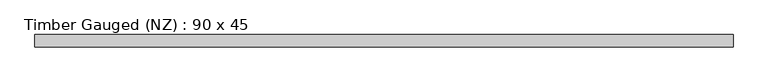
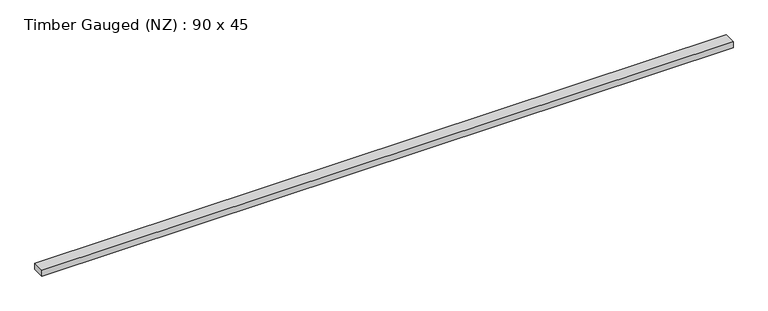
"""IFC4 building model written with IfcOpenShell, lengths in millimetres: beam geometry, Timber Gauged (NZ) : 90 x 45."""

import ifcopenshell
import ifcopenshell.guid

model = None  # the IFC model being written
_history = None  # IfcOwnerHistory: only IFC2X3 demands one
_inside = {}  # id of a spatial element -> (the spatial element, [elements in it])
_under = {}  # id of a project, library or spatial element -> (it, [spatial elements below it])
_declared = {}  # id of a project -> (the project, [libraries it declares])
_typed = {}  # id of a type object -> (the type object, [elements of that type])
_made_of = {}  # id of a material, layer set ... -> (it, [elements and type objects made of it])


def new_model(schema):
    """Start an empty IFC model of exactly this schema.

    Asked for "IFC4X3", IfcOpenShell would pick the latest addendum, in which some entities
    have other attributes; the version numbers below select the first issue.
    IFC2X3 requires an IfcOwnerHistory on every rooted entity: one is made here for all.
    """
    global model, _history
    if schema == "IFC4X3":
        model = ifcopenshell.file(schema_version=(4, 3, 0, 0))
    else:
        model = ifcopenshell.file(schema=schema)
    _inside.clear()
    _under.clear()
    _declared.clear()
    _typed.clear()
    _made_of.clear()
    _history = None
    if model.schema == "IFC2X3":
        org = make("IfcOrganization", Name="unknown")
        user = make(
            "IfcPersonAndOrganization",
            ThePerson=make("IfcPerson", FamilyName="unknown"),
            TheOrganization=org,
        )
        app = make(
            "IfcApplication",
            ApplicationDeveloper=org,
            Version="unknown",
            ApplicationFullName="unknown",
            ApplicationIdentifier="unknown",
        )
        _history = make(
            "IfcOwnerHistory",
            OwningUser=user,
            OwningApplication=app,
            ChangeAction="ADDED",
            CreationDate=0,
        )
    return model


def make(cls, **values):
    """One entity of the class cls with the attributes given. An attribute that is None is left unset."""
    return model.create_entity(
        cls, **{name: value for name, value in values.items() if value is not None}
    )


def rooted(cls, **values):
    """An entity with a GlobalId (a new one), such as an element, a storey or a relation."""
    return make(cls, GlobalId=ifcopenshell.guid.new(), OwnerHistory=_history, **values)


def si_unit(unit_type, name, prefix=None):
    """IfcSIUnit, for example si_unit("LENGTHUNIT", "METRE", prefix="MILLI")."""
    return make("IfcSIUnit", UnitType=unit_type, Prefix=prefix, Name=name)


def assignment(units):
    """IfcUnitAssignment: the units of a project."""
    return None if units is None else make("IfcUnitAssignment", Units=units)


def point(xyz):
    """IfcCartesianPoint."""
    return None if xyz is None else make("IfcCartesianPoint", Coordinates=xyz)


def direction(xyz):
    """IfcDirection."""
    return None if xyz is None else make("IfcDirection", DirectionRatios=xyz)


def frame(location, z_axis=None, x_axis=None):
    """IfcAxis2Placement3D, a coordinate frame: its origin and axes. An axis left out is left unset."""
    return make(
        "IfcAxis2Placement3D",
        Location=point(location),
        Axis=direction(z_axis),
        RefDirection=direction(x_axis),
    )


def origin():
    """The frame at (0, 0, 0) with its axes left unset."""
    return frame((0.0, 0.0, 0.0))


def place(relative_to, where):
    """IfcLocalPlacement: puts the frame where relative to a parent placement (None: the world)."""
    return make(
        "IfcLocalPlacement", PlacementRelTo=relative_to, RelativePlacement=where
    )


def context(
    kind, dimensions, precision=None, world=None, true_north=None, identifier=None
):
    """IfcGeometricRepresentationContext, for example the 3D "Model" context."""
    return make(
        "IfcGeometricRepresentationContext",
        ContextIdentifier=identifier,
        ContextType=kind,
        CoordinateSpaceDimension=dimensions,
        Precision=precision,
        WorldCoordinateSystem=world,
        TrueNorth=true_north,
    )


def project(units=None, contexts=None):
    """IfcProject with its units and contexts."""
    return rooted(
        "IfcProject",
        Name="project",
        RepresentationContexts=contexts,
        UnitsInContext=assignment(units),
    )


def spatial(cls, under=None, at=None, **own):
    """A site, building, storey or space (cls), placed at a placement, below another one or the project."""
    s = rooted(cls, ObjectPlacement=at, **own)
    if under is not None:
        _under.setdefault(under.id(), (under, []))[1].append(s)
    return s


def polyline(points):
    """IfcPolyline through the points."""
    return make("IfcPolyline", Points=[point(p) for p in points])


def outline(outer, holes=None, kind="AREA"):
    """IfcArbitraryClosedProfileDef: a profile drawn as a closed curve; with holes, ...WithVoids."""
    if holes is None:
        return make("IfcArbitraryClosedProfileDef", ProfileType=kind, OuterCurve=outer)
    return make(
        "IfcArbitraryProfileDefWithVoids",
        ProfileType=kind,
        OuterCurve=outer,
        InnerCurves=holes,
    )


def extrude(swept, where, along, depth):
    """IfcExtrudedAreaSolid: the profile swept, set in the frame where, extruded along a direction by depth."""
    return make(
        "IfcExtrudedAreaSolid",
        SweptArea=swept,
        Position=where,
        ExtrudedDirection=direction(along),
        Depth=depth,
    )


def shape(context_of_items, identifier, shape_type, items):
    """IfcShapeRepresentation: the items that make up one representation, for example the "Body"."""
    return make(
        "IfcShapeRepresentation",
        ContextOfItems=context_of_items,
        RepresentationIdentifier=identifier,
        RepresentationType=shape_type,
        Items=items,
    )


def source(mapping_origin, context_of_items, identifier, shape_type, items):
    """IfcRepresentationMap: a shape defined once, which mapped items show again and again."""
    return make(
        "IfcRepresentationMap",
        MappingOrigin=mapping_origin,
        MappedRepresentation=shape(context_of_items, identifier, shape_type, items),
    )


def transform(
    local_origin,
    x_axis=None,
    y_axis=None,
    z_axis=None,
    scale=None,
    scale2=None,
    scale3=None,
    uniform=True,
):
    """IfcCartesianTransformationOperator3D, or its non-uniform kind. x_axis, y_axis, z_axis: its Axis1, 2, 3."""
    if uniform:
        return make(
            "IfcCartesianTransformationOperator3D",
            Axis1=direction(x_axis),
            Axis2=direction(y_axis),
            LocalOrigin=point(local_origin),
            Scale=scale,
            Axis3=direction(z_axis),
        )
    return make(
        "IfcCartesianTransformationOperator3DnonUniform",
        Axis1=direction(x_axis),
        Axis2=direction(y_axis),
        LocalOrigin=point(local_origin),
        Scale=scale,
        Axis3=direction(z_axis),
        Scale2=scale2,
        Scale3=scale3,
    )


def mapped(mapping_source, mapping_target):
    """IfcMappedItem: shows the shape of a source again, moved by a transform."""
    return make(
        "IfcMappedItem", MappingSource=mapping_source, MappingTarget=mapping_target
    )


def made_of(thing, what):
    """Note that an element or type object is made of a material, layer set ...; save() writes the relation."""
    if what is not None:
        _made_of.setdefault(what.id(), (what, []))[1].append(thing)
    return thing


def element(
    cls,
    number,
    at=None,
    inside=None,
    cuts=None,
    type_object=None,
    material=None,
    context=None,
    identifier="Body",
    shape_type=None,
    held_by="IfcProductDefinitionShape",
    body=None,
    shapes=None,
    **own,
):
    """One element of the class cls, such as IfcWall. Its Tag is "e" and its number.

    at: its placement. inside: the storey or other place that contains it. cuts: it is an
    opening in that element (IfcRelVoidsElement). A single representation is given by context,
    identifier, shape_type and body (its items); several are given by shapes. held_by: the class
    of the entity that holds the representations. save() writes the other relations.
    """
    e = rooted(cls, Tag="e%d" % number, ObjectPlacement=at, **own)
    if body is not None:
        shapes = [shape(context, identifier, shape_type, body)]
    if shapes is not None:
        e.Representation = make(held_by, Representations=shapes)
    if inside is not None:
        _inside.setdefault(inside.id(), (inside, []))[1].append(e)
    if cuts is not None:
        rooted(
            "IfcRelVoidsElement", RelatingBuildingElement=cuts, RelatedOpeningElement=e
        )
    if type_object is not None:
        _typed.setdefault(type_object.id(), (type_object, []))[1].append(e)
    return made_of(e, material)


def aggregate(whole, parts):
    """IfcRelAggregates: a whole, such as a stair, and the parts it consists of."""
    return rooted("IfcRelAggregates", RelatingObject=whole, RelatedObjects=parts)


def save(model, path):
    """Write the relations noted so far, then the file.

    IfcRelAggregates (storeys below a building ...), IfcRelContainedInSpatialStructure (elements
    in a storey), IfcRelDefinesByType, IfcRelAssociatesMaterial and IfcRelDeclares: one each for
    every whole, place, type object, material and project.
    """
    for whole, parts in _under.values():
        aggregate(whole, parts)
    for where, things in _inside.values():
        rooted(
            "IfcRelContainedInSpatialStructure",
            RelatedElements=things,
            RelatingStructure=where,
        )
    for kind, things in _typed.values():
        rooted("IfcRelDefinesByType", RelatedObjects=things, RelatingType=kind)
    for what, things in _made_of.values():
        rooted("IfcRelAssociatesMaterial", RelatedObjects=things, RelatingMaterial=what)
    for by, libraries in _declared.values():
        rooted("IfcRelDeclares", RelatingContext=by, RelatedDefinitions=libraries)
    model.write(path)


def timber_gauged_nz_90_x_45_65e6c5fe(model_context):
    return source(origin(), model_context, "Body", "SweptSolid", [
        extrude(outline(polyline([(2550.0, 45.0), (2550.0, -45.0), (-2550.0, -45.0), (-2550.0, 45.0), (2550.0, 45.0)])), frame((0.0, 0.0, -22.5), z_axis=(0.0, 0.0, 1.0), x_axis=(1.0, 0.0, 0.0)), (0.0, 0.0, 1.0), 45.0),
    ])


if __name__ == "__main__":
    model = new_model("IFC4")
    model_context = context("Model", 3, world=origin())
    ifc_project = project(units=[si_unit("LENGTHUNIT", "METRE", prefix="MILLI")], contexts=[model_context])
    site = spatial("IfcSite", under=ifc_project)
    building = spatial("IfcBuilding", under=site)
    placement = place(None, origin())
    timber_gauged_nz_90_x_45_shape = timber_gauged_nz_90_x_45_65e6c5fe(model_context)
    element("IfcBeam", 1, ObjectType="Timber Gauged (NZ) : 90 x 45", at=placement, inside=building, context=model_context, shape_type="MappedRepresentation", body=[
        mapped(timber_gauged_nz_90_x_45_shape, transform((0.0, 0.0, 0.0), x_axis=(1.0, 0.0, 0.0), y_axis=(0.0, 1.0, 0.0), z_axis=(0.0, 0.0, 1.0))),
    ])
    save(model, "model.ifc")
